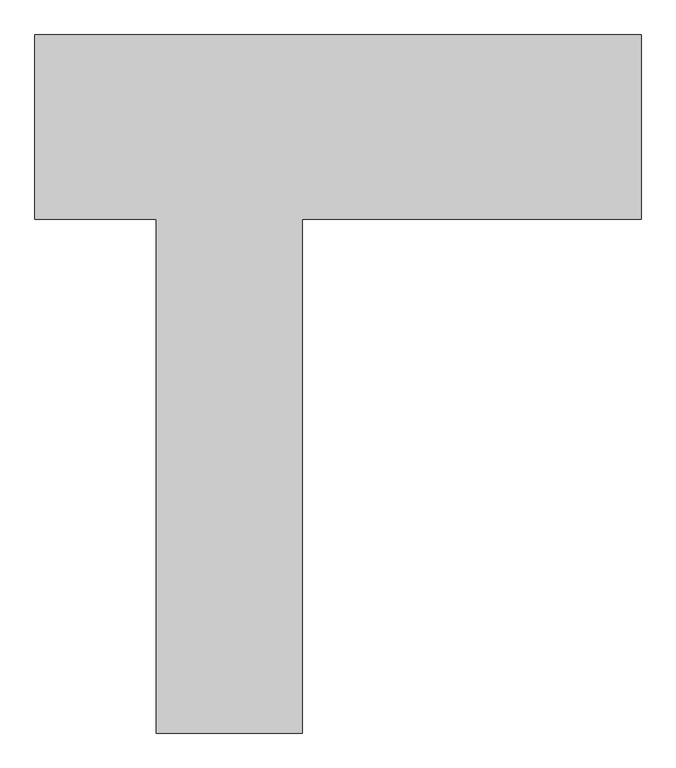
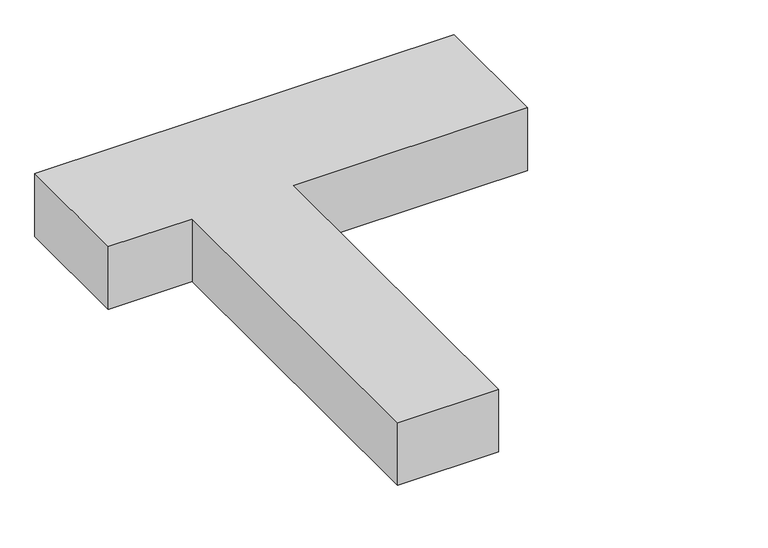
"""IFC4 building model written with IfcOpenShell, lengths in millimetres: proxy geometry."""

from ifc_helpers import new_model, si_unit, origin, origin_with_axes, place, context, project, spatial, polyline, outline, extrude, source, transform, mapped, element, save


def generic_models_334c5d02(model_context):
    return source(origin(), model_context, "Body", "SweptSolid", [
        extrude(outline(polyline([(-380.0, -226.1680125), (-696.377191, -226.1680125), (-696.377191, 253.8319875), (883.622809, 253.8319875), (883.622809, -226.1680125), (0.0, -226.1680125), (0.0, -1566.1680125), (-380.0, -1566.1680125), (-380.0, -226.1680125)])), origin_with_axes(), (0.0, 0.0, 1.0), 250.0),
    ])


if __name__ == "__main__":
    model = new_model("IFC4")
    model_context = context("Model", 3, world=origin())
    ifc_project = project(units=[si_unit("LENGTHUNIT", "METRE", prefix="MILLI")], contexts=[model_context])
    site = spatial("IfcSite", under=ifc_project)
    building = spatial("IfcBuilding", under=site)
    placement = place(None, origin())
    generic_models_shape = generic_models_334c5d02(model_context)
    element("IfcBuildingElementProxy", 1, Name="Generic Models", at=placement, inside=building, context=model_context, shape_type="MappedRepresentation", body=[
        mapped(generic_models_shape, transform((0.0, 0.0, 0.0), x_axis=(1.0, 0.0, 0.0), y_axis=(0.0, 1.0, 0.0), z_axis=(0.0, 0.0, 1.0))),
    ])
    save(model, "model.ifc")
